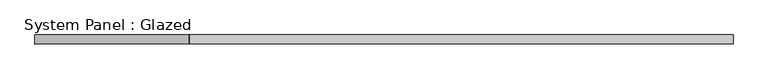
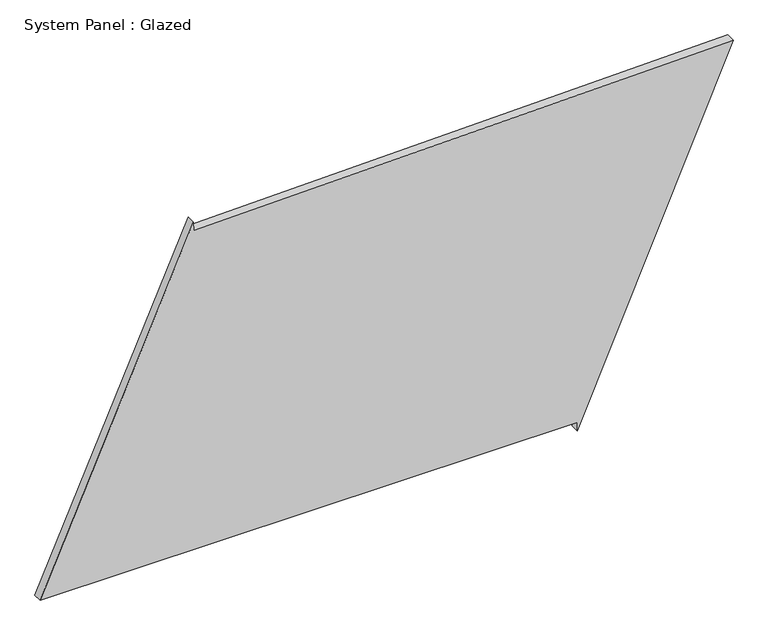
"""IFC4 building model written with IfcOpenShell, lengths in millimetres: plate geometry, System Panel : Glazed."""

from ifc_helpers import new_model, si_unit, frame, origin, place, context, project, spatial, polyline, outline, extrude, source, transform, mapped, element, save


def system_panel_glazed_8d616721(model_context):
    return source(origin(), model_context, "Body", "SweptSolid", [
        extrude(outline(polyline([(25.0, 529.715296), (0.0, 529.715296), (997.0529142, 962.1259315), (961.4571922, -536.1242126), (986.4501396, -536.7179999), (25.0, -962.1259315), (25.0, 529.715296)])), frame((0.0, -49.5, 0.0), z_axis=(0.0, 1.0, 0.0), x_axis=(0.0, 0.0, 1.0)), (0.0, 0.0, 1.0), 25.0),
    ])


if __name__ == "__main__":
    model = new_model("IFC4")
    model_context = context("Model", 3, world=origin())
    ifc_project = project(units=[si_unit("LENGTHUNIT", "METRE", prefix="MILLI")], contexts=[model_context])
    site = spatial("IfcSite", under=ifc_project)
    building = spatial("IfcBuilding", under=site)
    placement = place(None, origin())
    system_panel_glazed_shape = system_panel_glazed_8d616721(model_context)
    element("IfcPlate", 1, ObjectType="System Panel : Glazed", at=placement, inside=building, context=model_context, shape_type="MappedRepresentation", body=[
        mapped(system_panel_glazed_shape, transform((0.0, 0.0, 0.0), x_axis=(1.0, 0.0, 0.0), y_axis=(0.0, 1.0, 0.0), z_axis=(0.0, 0.0, 1.0))),
    ])
    save(model, "model.ifc")
